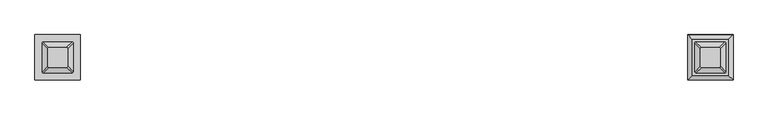
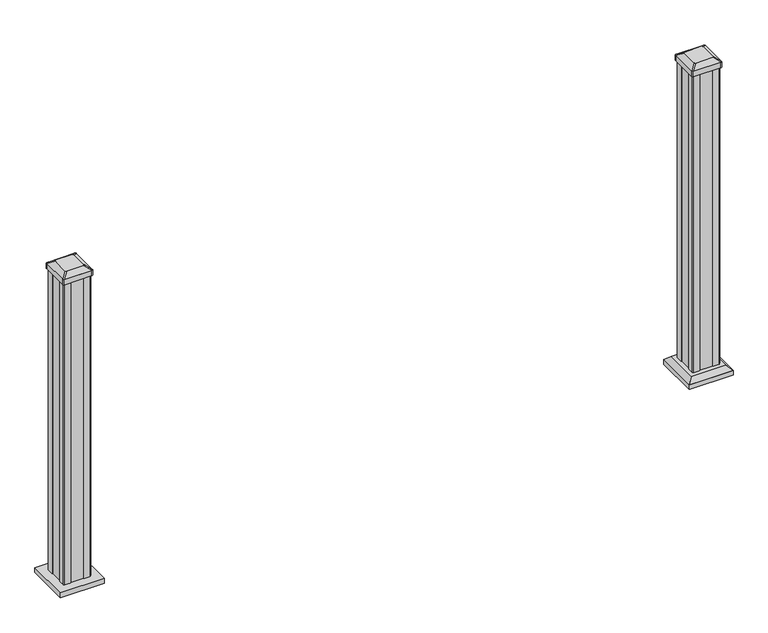
"""IFC4 building model written with IfcOpenShell, lengths in millimetres: railing geometry."""

from ifc_helpers import new_model, si_unit, point, frame, frame_2d, origin, origin_with_axes, place, context, project, spatial, polyline, circle_curve, trimmed, segment, composite_curve, outline, extrude, faceted_brep, source, transform, mapped, element, save
from ifc_brep_helpers import plane_surface, extruded_surface, advanced_brep


def railing_8b1f748f(model_context):
    return source(origin(), model_context, "Body", "SolidModel", [
        extrude(outline(polyline([(17018.783262, -48119.7918046), (16885.5324807, -48119.7918046), (16885.5324807, -47986.5410234), (17018.783262, -47986.5410234), (17018.783262, -48119.7918046)])), origin_with_axes(), (0.0, 0.0, 1.0), 15.24),
        advanced_brep(
        [(16981.1297463, -48027.369539, 1012.825), (16977.9547463, -48024.194539, 1012.825), (16926.3609963, -48024.194539, 1012.825), (16923.1859963, -48027.369539, 1012.825), (16923.1859963, -48078.963289, 1012.825), (16926.3609963, -48082.138289, 1012.825), (16977.9547463, -48082.138289, 1012.825), (16981.1297463, -48078.963289, 1012.825), (16997.4016213, -48011.097664, 1001.522), (16997.4016213, -48095.235164, 1001.522), (16994.2266213, -48098.410164, 1001.522), (16910.0891213, -48098.410164, 1001.522), (16906.9141213, -48095.235164, 1001.522), (16906.9141213, -48011.097664, 1001.522), (16910.0891213, -48007.922664, 1001.522), (16994.2266213, -48007.922664, 1001.522)],
        [
            (0, 1, circle_curve(frame((16977.9547463, -48027.369539, 1012.825), z_axis=(0.0, 0.0, 1.0), x_axis=(-1.0, 0.0, 0.0)), 3.175)),
            (1, 2),
            (2, 3, circle_curve(frame((16926.3609963, -48027.369539, 1012.825), z_axis=(0.0, 0.0, 1.0), x_axis=(-1.0, 0.0, 0.0)), 3.175)),
            (3, 4),
            (4, 5, circle_curve(frame((16926.3609963, -48078.963289, 1012.825), z_axis=(0.0, 0.0, 1.0), x_axis=(-1.0, 0.0, 0.0)), 3.175)),
            (5, 6),
            (6, 7, circle_curve(frame((16977.9547463, -48078.963289, 1012.825), z_axis=(0.0, 0.0, 1.0), x_axis=(-1.0, 0.0, 0.0)), 3.175)),
            (7, 0),
            (8, 9),
            (9, 10, circle_curve(frame((16994.2266213, -48095.235164, 1001.522), z_axis=(0.0, 0.0, -1.0), x_axis=(-1.0, 0.0, 0.0)), 3.175)),
            (10, 11),
            (11, 12, circle_curve(frame((16910.0891213, -48095.235164, 1001.522), z_axis=(0.0, 0.0, -1.0), x_axis=(-1.0, 0.0, 0.0)), 3.175)),
            (12, 13),
            (13, 14, circle_curve(frame((16910.0891213, -48011.097664, 1001.522), z_axis=(0.0, 0.0, -1.0), x_axis=(-1.0, 0.0, 0.0)), 3.175)),
            (14, 15),
            (15, 8, circle_curve(frame((16994.2266213, -48011.097664, 1001.522), z_axis=(0.0, 0.0, -1.0), x_axis=(-1.0, 0.0, 0.0)), 3.175)),
            (15, 1),
            (0, 8),
            (14, 2),
            (13, 3),
            (12, 4),
            (11, 5),
            (10, 6),
            (9, 7),
        ],
        [
            plane_surface(frame((16952.1578713, -48053.166414, 1012.825), z_axis=(0.0, 0.0, 1.0), x_axis=(0.0, 1.0, 0.0))),
            plane_surface(frame((16952.1578713, -48053.166414, 1001.522), z_axis=(0.0, 0.0, -1.0), x_axis=(0.0, 1.0, 0.0))),
            extruded_surface(trimmed(circle_curve(frame((16994.2266213, -48011.097664, 1001.522), z_axis=(0.0, 0.0, 1.0), x_axis=(-1.0, 0.0, 0.0)), 3.175), [point((16997.4016213, -48011.097664, 1001.522))], [point((16994.2266213, -48007.922664, 1001.522))], True, "CARTESIAN"), (-16.271874999998545, -16.271874999998545, 11.302999999999997), 25.637972638864316),
            plane_surface(frame((16952.1578713, -48007.922664, 1001.522), z_axis=(0.0, 0.5705009161540779, 0.8212969649690408), x_axis=(-1.0, 0.0, 0.0))),
            extruded_surface(trimmed(circle_curve(frame((16910.0891213, -48011.097664, 1001.522), z_axis=(0.0, 0.0, 1.0), x_axis=(-1.0, 0.0, 0.0)), 3.175), [point((16910.0891213, -48007.922664, 1001.522))], [point((16906.9141213, -48011.097664, 1001.522))], True, "CARTESIAN"), (16.271875000002183, -16.271874999998545, 11.302999999999997), 25.63797263886662),
            plane_surface(frame((16906.9141213, -48053.166414, 1001.522), z_axis=(-0.5705009161540291, 0.0, 0.8212969649690747), x_axis=(0.0, -1.0, 0.0))),
            extruded_surface(trimmed(circle_curve(frame((16910.0891213, -48095.235164, 1001.522), z_axis=(0.0, 0.0, 1.0), x_axis=(-1.0, 0.0, 0.0)), 3.175), [point((16906.9141213, -48095.235164, 1001.522))], [point((16910.0891213, -48098.410164, 1001.522))], True, "CARTESIAN"), (16.271875000002183, 16.271874999998545, 11.302999999999997), 25.63797263886662),
            plane_surface(frame((16952.1578713, -48098.410164, 1001.522), z_axis=(0.0, -0.5705009161540141, 0.8212969649690851), x_axis=(1.0, 0.0, 0.0))),
            extruded_surface(trimmed(circle_curve(frame((16994.2266213, -48095.235164, 1001.522), z_axis=(0.0, 0.0, 1.0), x_axis=(-1.0, 0.0, 0.0)), 3.175), [point((16994.2266213, -48098.410164, 1001.522))], [point((16997.4016213, -48095.235164, 1001.522))], True, "CARTESIAN"), (-16.271874999998545, 16.271874999998545, 11.302999999999997), 25.637972638864316),
            plane_surface(frame((16997.4016213, -48053.166414, 1001.522), z_axis=(0.570500916154034, 0.0, 0.8212969649690713), x_axis=(0.0, 1.0, 0.0))),
        ],
        [
            (0, [[1, 2, 3, 4, 5, 6, 7, 8]]),
            (1, [[9, 10, 11, 12, 13, 14, 15, 16]]),
            (2, [[-16, 17, -1, 18]]),
            (3, [[-15, 19, -2, -17]]),
            (4, [[-14, 20, -3, -19]]),
            (5, [[-13, 21, -4, -20]]),
            (6, [[-12, 22, -5, -21]]),
            (7, [[-11, 23, -6, -22]]),
            (8, [[-10, 24, -7, -23]]),
            (9, [[-9, -18, -8, -24]]),
        ],
    ),
        extrude(outline(composite_curve([segment(polyline([(16997.4016213, -48011.097664), (16997.4016213, -48095.235164)]), True, "CONTINUOUS"), segment(trimmed(circle_curve(frame_2d((16994.2266213, -48095.235164)), 3.175), [point((16997.4016213, -48095.235164))], [point((16994.2266213, -48098.410164))], False, "CARTESIAN"), True, "CONTINUOUS"), segment(polyline([(16994.2266213, -48098.410164), (16910.0891213, -48098.410164)]), True, "CONTINUOUS"), segment(trimmed(circle_curve(frame_2d((16910.0891213, -48095.235164)), 3.175), [point((16910.0891213, -48098.410164))], [point((16906.9141213, -48095.235164))], False, "CARTESIAN"), True, "CONTINUOUS"), segment(polyline([(16906.9141213, -48095.235164), (16906.9141213, -48011.097664)]), True, "CONTINUOUS"), segment(trimmed(circle_curve(frame_2d((16910.0891213, -48011.097664)), 3.175), [point((16906.9141213, -48011.097664))], [point((16910.0891213, -48007.922664))], False, "CARTESIAN"), True, "CONTINUOUS"), segment(polyline([(16910.0891213, -48007.922664), (16994.2266213, -48007.922664)]), True, "CONTINUOUS"), segment(trimmed(circle_curve(frame_2d((16994.2266213, -48011.097664)), 3.175), [point((16994.2266213, -48007.922664))], [point((16997.4016213, -48011.097664))], False, "CARTESIAN"), True, "CONTINUOUS")], self_intersect=False)), frame((0.0, 0.0, 984.25), z_axis=(0.0, 0.0, 1.0), x_axis=(1.0, 0.0, 0.0)), (0.0, 0.0, 1.0), 17.272),
        extrude(outline(polyline([(16993.4328713, -48013.478914), (16993.4328713, -48033.100414), (16991.8453713, -48033.862414), (16991.8453713, -48072.470414), (16993.4328713, -48073.232414), (16993.4328713, -48092.853914), (16991.8453713, -48094.441414), (16972.2238713, -48094.441414), (16971.4618713, -48092.853914), (16932.8538713, -48092.853914), (16932.0918713, -48094.441414), (16912.4703713, -48094.441414), (16910.8828713, -48092.853914), (16910.8828713, -48073.232414), (16912.4703713, -48072.470414), (16912.4703713, -48033.862414), (16910.8828713, -48033.100414), (16910.8828713, -48013.478914), (16912.4703713, -48011.891414), (16932.0918713, -48011.891414), (16932.8538713, -48013.478914), (16971.4618713, -48013.478914), (16972.2238713, -48011.891414), (16991.8453713, -48011.891414), (16993.4328713, -48013.478914)])), origin_with_axes(), (0.0, 0.0, 1.0), 984.25),
        faceted_brep([(18916.3478088, -48105.7523515, 28.575), (18916.3478088, -48000.5804765, 28.575), (18811.1759338, -48000.5804765, 28.575), (18811.1759338, -48105.7523515, 28.575), (18930.387262, -48119.7918046, 15.24), (18797.1364807, -48119.7918046, 15.24), (18797.1364807, -47986.5410234, 15.24), (18930.387262, -47986.5410234, 15.24)], [[[0, 1, 2, 3]], [[4, 5, 6, 7]], [[4, 7, 1, 0]], [[7, 6, 2, 1]], [[6, 5, 3, 2]], [[5, 4, 0, 3]]]),
        extrude(outline(polyline([(18930.387262, -48119.7918046), (18797.1364807, -48119.7918046), (18797.1364807, -47986.5410234), (18930.387262, -47986.5410234), (18930.387262, -48119.7918046)])), origin_with_axes(), (0.0, 0.0, 1.0), 15.24),
        advanced_brep(
        [(18892.7337463, -48027.369539, 1012.825), (18889.5587463, -48024.194539, 1012.825), (18837.9649963, -48024.194539, 1012.825), (18834.7899963, -48027.369539, 1012.825), (18834.7899963, -48078.963289, 1012.825), (18837.9649963, -48082.138289, 1012.825), (18889.5587463, -48082.138289, 1012.825), (18892.7337463, -48078.963289, 1012.825), (18909.0056213, -48011.097664, 1001.522), (18909.0056213, -48095.235164, 1001.522), (18905.8306213, -48098.410164, 1001.522), (18821.6931213, -48098.410164, 1001.522), (18818.5181213, -48095.235164, 1001.522), (18818.5181213, -48011.097664, 1001.522), (18821.6931213, -48007.922664, 1001.522), (18905.8306213, -48007.922664, 1001.522)],
        [
            (0, 1, circle_curve(frame((18889.5587463, -48027.369539, 1012.825), z_axis=(0.0, 0.0, 1.0), x_axis=(-1.0, 0.0, 0.0)), 3.175)),
            (1, 2),
            (2, 3, circle_curve(frame((18837.9649963, -48027.369539, 1012.825), z_axis=(0.0, 0.0, 1.0), x_axis=(-1.0, 0.0, 0.0)), 3.175)),
            (3, 4),
            (4, 5, circle_curve(frame((18837.9649963, -48078.963289, 1012.825), z_axis=(0.0, 0.0, 1.0), x_axis=(-1.0, 0.0, 0.0)), 3.175)),
            (5, 6),
            (6, 7, circle_curve(frame((18889.5587463, -48078.963289, 1012.825), z_axis=(0.0, 0.0, 1.0), x_axis=(-1.0, 0.0, 0.0)), 3.175)),
            (7, 0),
            (8, 9),
            (9, 10, circle_curve(frame((18905.8306213, -48095.235164, 1001.522), z_axis=(0.0, 0.0, -1.0), x_axis=(-1.0, 0.0, 0.0)), 3.175)),
            (10, 11),
            (11, 12, circle_curve(frame((18821.6931213, -48095.235164, 1001.522), z_axis=(0.0, 0.0, -1.0), x_axis=(-1.0, 0.0, 0.0)), 3.175)),
            (12, 13),
            (13, 14, circle_curve(frame((18821.6931213, -48011.097664, 1001.522), z_axis=(0.0, 0.0, -1.0), x_axis=(-1.0, 0.0, 0.0)), 3.175)),
            (14, 15),
            (15, 8, circle_curve(frame((18905.8306213, -48011.097664, 1001.522), z_axis=(0.0, 0.0, -1.0), x_axis=(-1.0, 0.0, 0.0)), 3.175)),
            (15, 1),
            (0, 8),
            (14, 2),
            (13, 3),
            (12, 4),
            (11, 5),
            (10, 6),
            (9, 7),
        ],
        [
            plane_surface(frame((18863.7618713, -48053.166414, 1012.825), z_axis=(0.0, 0.0, 1.0), x_axis=(0.0, 1.0, 0.0))),
            plane_surface(frame((18863.7618713, -48053.166414, 1001.522), z_axis=(0.0, 0.0, -1.0), x_axis=(0.0, 1.0, 0.0))),
            extruded_surface(trimmed(circle_curve(frame((18905.8306213, -48011.097664, 1001.522), z_axis=(0.0, 0.0, 1.0), x_axis=(-1.0, 0.0, 0.0)), 3.175), [point((18909.0056213, -48011.097664, 1001.522))], [point((18905.8306213, -48007.922664, 1001.522))], True, "CARTESIAN"), (-16.271874999998545, -16.271874999998545, 11.302999999999997), 25.637972638864316),
            plane_surface(frame((18863.7618713, -48007.922664, 1001.522), z_axis=(0.0, 0.5705009161540779, 0.8212969649690408), x_axis=(-1.0, 0.0, 0.0))),
            extruded_surface(trimmed(circle_curve(frame((18821.6931213, -48011.097664, 1001.522), z_axis=(0.0, 0.0, 1.0), x_axis=(-1.0, 0.0, 0.0)), 3.175), [point((18821.6931213, -48007.922664, 1001.522))], [point((18818.5181213, -48011.097664, 1001.522))], True, "CARTESIAN"), (16.271875000002183, -16.271874999998545, 11.302999999999997), 25.63797263886662),
            plane_surface(frame((18818.5181213, -48053.166414, 1001.522), z_axis=(-0.5705009161540291, 0.0, 0.8212969649690747), x_axis=(0.0, -1.0, 0.0))),
            extruded_surface(trimmed(circle_curve(frame((18821.6931213, -48095.235164, 1001.522), z_axis=(0.0, 0.0, 1.0), x_axis=(-1.0, 0.0, 0.0)), 3.175), [point((18818.5181213, -48095.235164, 1001.522))], [point((18821.6931213, -48098.410164, 1001.522))], True, "CARTESIAN"), (16.271875000002183, 16.271874999998545, 11.302999999999997), 25.63797263886662),
            plane_surface(frame((18863.7618713, -48098.410164, 1001.522), z_axis=(0.0, -0.5705009161540141, 0.8212969649690851), x_axis=(1.0, 0.0, 0.0))),
            extruded_surface(trimmed(circle_curve(frame((18905.8306213, -48095.235164, 1001.522), z_axis=(0.0, 0.0, 1.0), x_axis=(-1.0, 0.0, 0.0)), 3.175), [point((18905.8306213, -48098.410164, 1001.522))], [point((18909.0056213, -48095.235164, 1001.522))], True, "CARTESIAN"), (-16.271874999998545, 16.271874999998545, 11.302999999999997), 25.637972638864316),
            plane_surface(frame((18909.0056213, -48053.166414, 1001.522), z_axis=(0.570500916154034, 0.0, 0.8212969649690713), x_axis=(0.0, 1.0, 0.0))),
        ],
        [
            (0, [[1, 2, 3, 4, 5, 6, 7, 8]]),
            (1, [[9, 10, 11, 12, 13, 14, 15, 16]]),
            (2, [[-16, 17, -1, 18]]),
            (3, [[-15, 19, -2, -17]]),
            (4, [[-14, 20, -3, -19]]),
            (5, [[-13, 21, -4, -20]]),
            (6, [[-12, 22, -5, -21]]),
            (7, [[-11, 23, -6, -22]]),
            (8, [[-10, 24, -7, -23]]),
            (9, [[-9, -18, -8, -24]]),
        ],
    ),
        extrude(outline(composite_curve([segment(polyline([(18909.0056213, -48011.097664), (18909.0056213, -48095.235164)]), True, "CONTINUOUS"), segment(trimmed(circle_curve(frame_2d((18905.8306213, -48095.235164)), 3.175), [point((18909.0056213, -48095.235164))], [point((18905.8306213, -48098.410164))], False, "CARTESIAN"), True, "CONTINUOUS"), segment(polyline([(18905.8306213, -48098.410164), (18821.6931213, -48098.410164)]), True, "CONTINUOUS"), segment(trimmed(circle_curve(frame_2d((18821.6931213, -48095.235164)), 3.175), [point((18821.6931213, -48098.410164))], [point((18818.5181213, -48095.235164))], False, "CARTESIAN"), True, "CONTINUOUS"), segment(polyline([(18818.5181213, -48095.235164), (18818.5181213, -48011.097664)]), True, "CONTINUOUS"), segment(trimmed(circle_curve(frame_2d((18821.6931213, -48011.097664)), 3.175), [point((18818.5181213, -48011.097664))], [point((18821.6931213, -48007.922664))], False, "CARTESIAN"), True, "CONTINUOUS"), segment(polyline([(18821.6931213, -48007.922664), (18905.8306213, -48007.922664)]), True, "CONTINUOUS"), segment(trimmed(circle_curve(frame_2d((18905.8306213, -48011.097664)), 3.175), [point((18905.8306213, -48007.922664))], [point((18909.0056213, -48011.097664))], False, "CARTESIAN"), True, "CONTINUOUS")], self_intersect=False)), frame((0.0, 0.0, 984.25), z_axis=(0.0, 0.0, 1.0), x_axis=(1.0, 0.0, 0.0)), (0.0, 0.0, 1.0), 17.272),
        extrude(outline(polyline([(18905.0368713, -48013.478914), (18905.0368713, -48033.100414), (18903.4493713, -48033.862414), (18903.4493713, -48072.470414), (18905.0368713, -48073.232414), (18905.0368713, -48092.853914), (18903.4493713, -48094.441414), (18883.8278713, -48094.441414), (18883.0658713, -48092.853914), (18844.4578713, -48092.853914), (18843.6958713, -48094.441414), (18824.0743713, -48094.441414), (18822.4868713, -48092.853914), (18822.4868713, -48073.232414), (18824.0743713, -48072.470414), (18824.0743713, -48033.862414), (18822.4868713, -48033.100414), (18822.4868713, -48013.478914), (18824.0743713, -48011.891414), (18843.6958713, -48011.891414), (18844.4578713, -48013.478914), (18883.0658713, -48013.478914), (18883.8278713, -48011.891414), (18903.4493713, -48011.891414), (18905.0368713, -48013.478914)])), origin_with_axes(), (0.0, 0.0, 1.0), 984.25),
    ])


if __name__ == "__main__":
    model = new_model("IFC4")
    model_context = context("Model", 3, world=origin())
    ifc_project = project(units=[si_unit("LENGTHUNIT", "METRE", prefix="MILLI")], contexts=[model_context])
    site = spatial("IfcSite", under=ifc_project)
    building = spatial("IfcBuilding", under=site)
    placement = place(None, origin())
    railing_shape = railing_8b1f748f(model_context)
    element("IfcRailing", 1, at=placement, inside=building, context=model_context, shape_type="MappedRepresentation", body=[
        mapped(railing_shape, transform((0.0, 0.0, 0.0), x_axis=(1.0, 0.0, 0.0), y_axis=(0.0, 1.0, 0.0), z_axis=(0.0, 0.0, 1.0))),
    ])
    save(model, "model.ifc")
